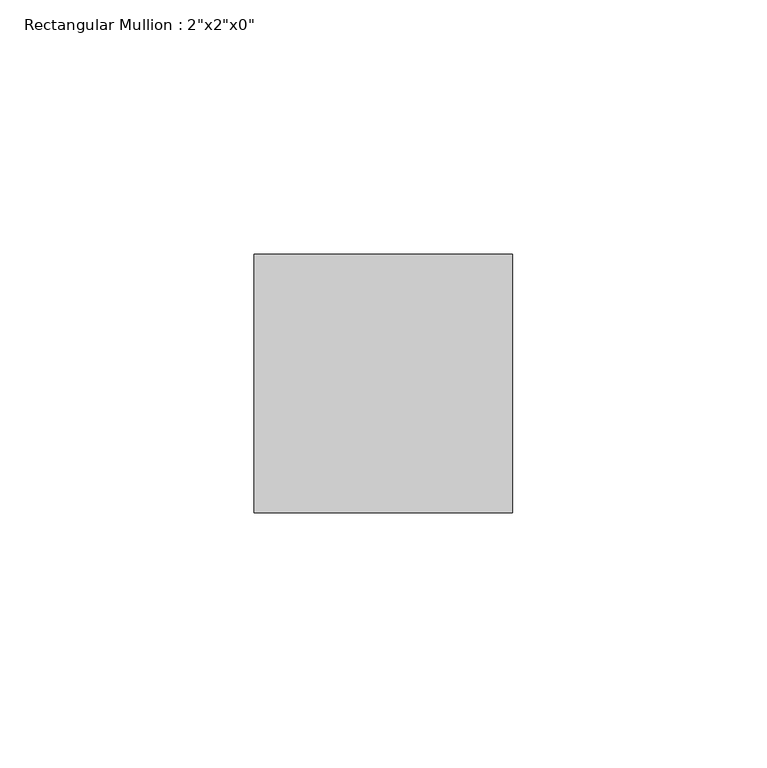
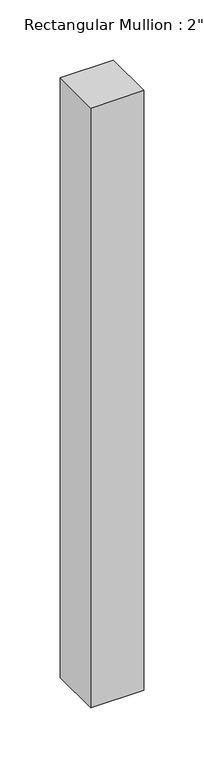
"""IFC4 building model written with IfcOpenShell, lengths in millimetres: member geometry."""

from ifc_helpers import new_model, si_unit, frame, origin, place, context, project, spatial, polyline, outline, extrude, source, transform, mapped, element, save


def member_d4e7759d(model_context):
    return source(origin(), model_context, "Body", "SweptSolid", [
        extrude(outline(polyline([(0.0, 25.4), (0.0, -25.4), (-50.8, -25.4), (-50.8, 25.4), (0.0, 25.4)])), frame((0.0, 0.0, -608.8495598), z_axis=(0.0, 0.0, 1.0), x_axis=(1.0, 0.0, 0.0)), (0.0, 0.0, 1.0), 608.8495598),
    ])


if __name__ == "__main__":
    model = new_model("IFC4")
    model_context = context("Model", 3, world=origin())
    ifc_project = project(units=[si_unit("LENGTHUNIT", "METRE", prefix="MILLI")], contexts=[model_context])
    site = spatial("IfcSite", under=ifc_project)
    building = spatial("IfcBuilding", under=site)
    placement = place(None, origin())
    member_shape = member_d4e7759d(model_context)
    element("IfcMember", 1, ObjectType="Rectangular Mullion : 2\"x2\"x0\"", at=placement, inside=building, context=model_context, shape_type="MappedRepresentation", body=[
        mapped(member_shape, transform((0.0, 0.0, 0.0), x_axis=(1.0, 0.0, 0.0), y_axis=(0.0, 1.0, 0.0), z_axis=(0.0, 0.0, 1.0))),
    ])
    save(model, "model.ifc")
